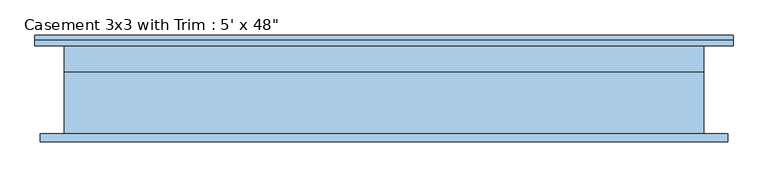
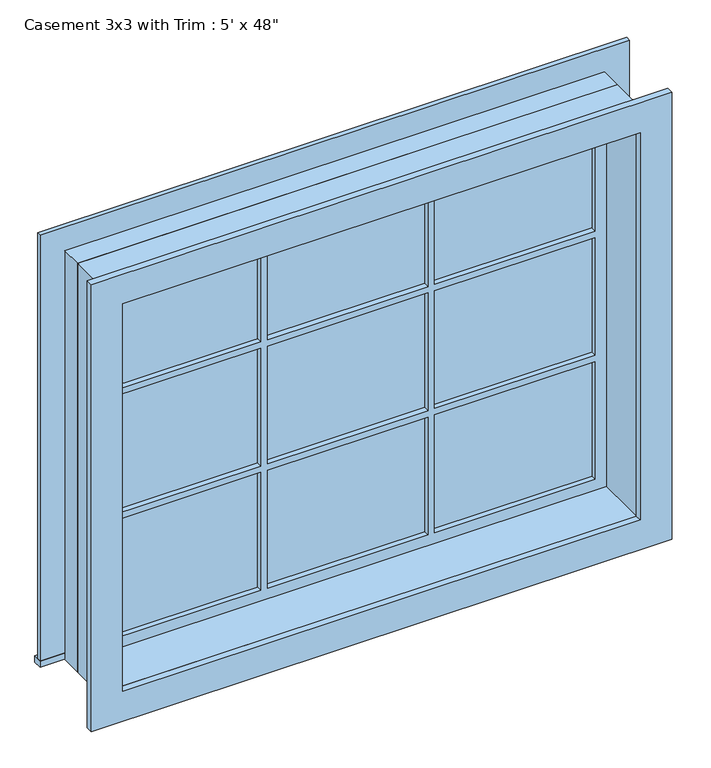
"""IFC4 building model written with IfcOpenShell, lengths in millimetres: window geometry."""

import ifcopenshell
import ifcopenshell.guid

model = None  # the IFC model being written
_history = None  # IfcOwnerHistory: only IFC2X3 demands one
_inside = {}  # id of a spatial element -> (the spatial element, [elements in it])
_under = {}  # id of a project, library or spatial element -> (it, [spatial elements below it])
_declared = {}  # id of a project -> (the project, [libraries it declares])
_typed = {}  # id of a type object -> (the type object, [elements of that type])
_made_of = {}  # id of a material, layer set ... -> (it, [elements and type objects made of it])


def new_model(schema):
    """Start an empty IFC model of exactly this schema.

    Asked for "IFC4X3", IfcOpenShell would pick the latest addendum, in which some entities
    have other attributes; the version numbers below select the first issue.
    IFC2X3 requires an IfcOwnerHistory on every rooted entity: one is made here for all.
    """
    global model, _history
    if schema == "IFC4X3":
        model = ifcopenshell.file(schema_version=(4, 3, 0, 0))
    else:
        model = ifcopenshell.file(schema=schema)
    _inside.clear()
    _under.clear()
    _declared.clear()
    _typed.clear()
    _made_of.clear()
    _history = None
    if model.schema == "IFC2X3":
        org = make("IfcOrganization", Name="unknown")
        user = make(
            "IfcPersonAndOrganization",
            ThePerson=make("IfcPerson", FamilyName="unknown"),
            TheOrganization=org,
        )
        app = make(
            "IfcApplication",
            ApplicationDeveloper=org,
            Version="unknown",
            ApplicationFullName="unknown",
            ApplicationIdentifier="unknown",
        )
        _history = make(
            "IfcOwnerHistory",
            OwningUser=user,
            OwningApplication=app,
            ChangeAction="ADDED",
            CreationDate=0,
        )
    return model


def make(cls, **values):
    """One entity of the class cls with the attributes given. An attribute that is None is left unset."""
    return model.create_entity(
        cls, **{name: value for name, value in values.items() if value is not None}
    )


def rooted(cls, **values):
    """An entity with a GlobalId (a new one), such as an element, a storey or a relation."""
    return make(cls, GlobalId=ifcopenshell.guid.new(), OwnerHistory=_history, **values)


def si_unit(unit_type, name, prefix=None):
    """IfcSIUnit, for example si_unit("LENGTHUNIT", "METRE", prefix="MILLI")."""
    return make("IfcSIUnit", UnitType=unit_type, Prefix=prefix, Name=name)


def assignment(units):
    """IfcUnitAssignment: the units of a project."""
    return None if units is None else make("IfcUnitAssignment", Units=units)


def point(xyz):
    """IfcCartesianPoint."""
    return None if xyz is None else make("IfcCartesianPoint", Coordinates=xyz)


def direction(xyz):
    """IfcDirection."""
    return None if xyz is None else make("IfcDirection", DirectionRatios=xyz)


def frame(location, z_axis=None, x_axis=None):
    """IfcAxis2Placement3D, a coordinate frame: its origin and axes. An axis left out is left unset."""
    return make(
        "IfcAxis2Placement3D",
        Location=point(location),
        Axis=direction(z_axis),
        RefDirection=direction(x_axis),
    )


def origin():
    """The frame at (0, 0, 0) with its axes left unset."""
    return frame((0.0, 0.0, 0.0))


def place(relative_to, where):
    """IfcLocalPlacement: puts the frame where relative to a parent placement (None: the world)."""
    return make(
        "IfcLocalPlacement", PlacementRelTo=relative_to, RelativePlacement=where
    )


def context(
    kind, dimensions, precision=None, world=None, true_north=None, identifier=None
):
    """IfcGeometricRepresentationContext, for example the 3D "Model" context."""
    return make(
        "IfcGeometricRepresentationContext",
        ContextIdentifier=identifier,
        ContextType=kind,
        CoordinateSpaceDimension=dimensions,
        Precision=precision,
        WorldCoordinateSystem=world,
        TrueNorth=true_north,
    )


def project(units=None, contexts=None):
    """IfcProject with its units and contexts."""
    return rooted(
        "IfcProject",
        Name="project",
        RepresentationContexts=contexts,
        UnitsInContext=assignment(units),
    )


def spatial(cls, under=None, at=None, **own):
    """A site, building, storey or space (cls), placed at a placement, below another one or the project."""
    s = rooted(cls, ObjectPlacement=at, **own)
    if under is not None:
        _under.setdefault(under.id(), (under, []))[1].append(s)
    return s


def polyline(points):
    """IfcPolyline through the points."""
    return make("IfcPolyline", Points=[point(p) for p in points])


def outline(outer, holes=None, kind="AREA"):
    """IfcArbitraryClosedProfileDef: a profile drawn as a closed curve; with holes, ...WithVoids."""
    if holes is None:
        return make("IfcArbitraryClosedProfileDef", ProfileType=kind, OuterCurve=outer)
    return make(
        "IfcArbitraryProfileDefWithVoids",
        ProfileType=kind,
        OuterCurve=outer,
        InnerCurves=holes,
    )


def extrude(swept, where, along, depth):
    """IfcExtrudedAreaSolid: the profile swept, set in the frame where, extruded along a direction by depth."""
    return make(
        "IfcExtrudedAreaSolid",
        SweptArea=swept,
        Position=where,
        ExtrudedDirection=direction(along),
        Depth=depth,
    )


def shape(context_of_items, identifier, shape_type, items):
    """IfcShapeRepresentation: the items that make up one representation, for example the "Body"."""
    return make(
        "IfcShapeRepresentation",
        ContextOfItems=context_of_items,
        RepresentationIdentifier=identifier,
        RepresentationType=shape_type,
        Items=items,
    )


def source(mapping_origin, context_of_items, identifier, shape_type, items):
    """IfcRepresentationMap: a shape defined once, which mapped items show again and again."""
    return make(
        "IfcRepresentationMap",
        MappingOrigin=mapping_origin,
        MappedRepresentation=shape(context_of_items, identifier, shape_type, items),
    )


def transform(
    local_origin,
    x_axis=None,
    y_axis=None,
    z_axis=None,
    scale=None,
    scale2=None,
    scale3=None,
    uniform=True,
):
    """IfcCartesianTransformationOperator3D, or its non-uniform kind. x_axis, y_axis, z_axis: its Axis1, 2, 3."""
    if uniform:
        return make(
            "IfcCartesianTransformationOperator3D",
            Axis1=direction(x_axis),
            Axis2=direction(y_axis),
            LocalOrigin=point(local_origin),
            Scale=scale,
            Axis3=direction(z_axis),
        )
    return make(
        "IfcCartesianTransformationOperator3DnonUniform",
        Axis1=direction(x_axis),
        Axis2=direction(y_axis),
        LocalOrigin=point(local_origin),
        Scale=scale,
        Axis3=direction(z_axis),
        Scale2=scale2,
        Scale3=scale3,
    )


def mapped(mapping_source, mapping_target):
    """IfcMappedItem: shows the shape of a source again, moved by a transform."""
    return make(
        "IfcMappedItem", MappingSource=mapping_source, MappingTarget=mapping_target
    )


def made_of(thing, what):
    """Note that an element or type object is made of a material, layer set ...; save() writes the relation."""
    if what is not None:
        _made_of.setdefault(what.id(), (what, []))[1].append(thing)
    return thing


def element(
    cls,
    number,
    at=None,
    inside=None,
    cuts=None,
    type_object=None,
    material=None,
    context=None,
    identifier="Body",
    shape_type=None,
    held_by="IfcProductDefinitionShape",
    body=None,
    shapes=None,
    **own,
):
    """One element of the class cls, such as IfcWall. Its Tag is "e" and its number.

    at: its placement. inside: the storey or other place that contains it. cuts: it is an
    opening in that element (IfcRelVoidsElement). A single representation is given by context,
    identifier, shape_type and body (its items); several are given by shapes. held_by: the class
    of the entity that holds the representations. save() writes the other relations.
    """
    e = rooted(cls, Tag="e%d" % number, ObjectPlacement=at, **own)
    if body is not None:
        shapes = [shape(context, identifier, shape_type, body)]
    if shapes is not None:
        e.Representation = make(held_by, Representations=shapes)
    if inside is not None:
        _inside.setdefault(inside.id(), (inside, []))[1].append(e)
    if cuts is not None:
        rooted(
            "IfcRelVoidsElement", RelatingBuildingElement=cuts, RelatedOpeningElement=e
        )
    if type_object is not None:
        _typed.setdefault(type_object.id(), (type_object, []))[1].append(e)
    return made_of(e, material)


def aggregate(whole, parts):
    """IfcRelAggregates: a whole, such as a stair, and the parts it consists of."""
    return rooted("IfcRelAggregates", RelatingObject=whole, RelatedObjects=parts)


def save(model, path):
    """Write the relations noted so far, then the file.

    IfcRelAggregates (storeys below a building ...), IfcRelContainedInSpatialStructure (elements
    in a storey), IfcRelDefinesByType, IfcRelAssociatesMaterial and IfcRelDeclares: one each for
    every whole, place, type object, material and project.
    """
    for whole, parts in _under.values():
        aggregate(whole, parts)
    for where, things in _inside.values():
        rooted(
            "IfcRelContainedInSpatialStructure",
            RelatedElements=things,
            RelatingStructure=where,
        )
    for kind, things in _typed.values():
        rooted("IfcRelDefinesByType", RelatedObjects=things, RelatingType=kind)
    for what, things in _made_of.values():
        rooted("IfcRelAssociatesMaterial", RelatedObjects=things, RelatingMaterial=what)
    for by, libraries in _declared.values():
        rooted("IfcRelDeclares", RelatingContext=by, RelatedDefinitions=libraries)
    model.write(path)


def window_2aff8733(model_context):
    return source(origin(), model_context, "Body", "SweptSolid", [
        extrude(outline(polyline([(-831.85, 130.175), (831.85, 130.175), (831.85, 104.775), (-831.85, 104.775), (-831.85, 130.175)])), frame((0.0, 0.0, 609.6), z_axis=(0.0, 0.0, 1.0), x_axis=(1.0, 0.0, 0.0)), (0.0, 0.0, 1.0), 19.05),
        extrude(outline(polyline([(1809.75, -742.95), (1809.75, 742.95), (628.65, 742.95), (628.65, 831.85), (1898.65, 831.85), (1898.65, -831.85), (628.65, -831.85), (628.65, -742.95), (1809.75, -742.95)])), frame((0.0, 104.775, 0.0), z_axis=(0.0, 1.0, 0.0), x_axis=(0.0, 0.0, 1.0)), (0.0, 0.0, 1.0), 12.7),
        extrude(outline(polyline([(245.5333333, 69.85), (698.5, 69.85), (698.5, 57.15), (245.5333333, 57.15), (245.5333333, 69.85)])), frame((0.0, 0.0, 1413.9333333), z_axis=(0.0, 0.0, 1.0), x_axis=(1.0, 0.0, 0.0)), (0.0, 0.0, 1.0), 351.3666667),
        extrude(outline(polyline([(-226.4833333, 69.85), (226.4833333, 69.85), (226.4833333, 57.15), (-226.4833333, 57.15), (-226.4833333, 69.85)])), frame((0.0, 0.0, 1413.9333333), z_axis=(0.0, 0.0, 1.0), x_axis=(1.0, 0.0, 0.0)), (0.0, 0.0, 1.0), 351.3666667),
        extrude(outline(polyline([(-698.5, 69.85), (-245.5333333, 69.85), (-245.5333333, 57.15), (-698.5, 57.15), (-698.5, 69.85)])), frame((0.0, 0.0, 1413.9333333), z_axis=(0.0, 0.0, 1.0), x_axis=(1.0, 0.0, 0.0)), (0.0, 0.0, 1.0), 351.3666667),
        extrude(outline(polyline([(-698.5, 69.85), (-245.5333333, 69.85), (-245.5333333, 57.15), (-698.5, 57.15), (-698.5, 69.85)])), frame((0.0, 0.0, 1043.5166667), z_axis=(0.0, 0.0, 1.0), x_axis=(1.0, 0.0, 0.0)), (0.0, 0.0, 1.0), 351.3666667),
        extrude(outline(polyline([(-226.4833333, 69.85), (226.4833333, 69.85), (226.4833333, 57.15), (-226.4833333, 57.15), (-226.4833333, 69.85)])), frame((0.0, 0.0, 1043.5166667), z_axis=(0.0, 0.0, 1.0), x_axis=(1.0, 0.0, 0.0)), (0.0, 0.0, 1.0), 351.3666667),
        extrude(outline(polyline([(245.5333333, 69.85), (698.5, 69.85), (698.5, 57.15), (245.5333333, 57.15), (245.5333333, 69.85)])), frame((0.0, 0.0, 1043.5166667), z_axis=(0.0, 0.0, 1.0), x_axis=(1.0, 0.0, 0.0)), (0.0, 0.0, 1.0), 351.3666667),
        extrude(outline(polyline([(245.5333333, 69.85), (698.5, 69.85), (698.5, 57.15), (245.5333333, 57.15), (245.5333333, 69.85)])), frame((0.0, 0.0, 673.1), z_axis=(0.0, 0.0, 1.0), x_axis=(1.0, 0.0, 0.0)), (0.0, 0.0, 1.0), 351.3666667),
        extrude(outline(polyline([(-226.4833333, 69.85), (226.4833333, 69.85), (226.4833333, 57.15), (-226.4833333, 57.15), (-226.4833333, 69.85)])), frame((0.0, 0.0, 673.1), z_axis=(0.0, 0.0, 1.0), x_axis=(1.0, 0.0, 0.0)), (0.0, 0.0, 1.0), 351.3666667),
        extrude(outline(polyline([(-698.5, 69.85), (-245.5333333, 69.85), (-245.5333333, 57.15), (-698.5, 57.15), (-698.5, 69.85)])), frame((0.0, 0.0, 673.1), z_axis=(0.0, 0.0, 1.0), x_axis=(1.0, 0.0, 0.0)), (0.0, 0.0, 1.0), 351.3666667),
        extrude(outline(polyline([(1885.95, 819.15), (1885.95, -819.15), (552.45, -819.15), (552.45, 819.15), (1885.95, 819.15)]), holes=[polyline([(1797.05, 730.25), (641.35, 730.25), (641.35, -730.25), (1797.05, -730.25), (1797.05, 730.25)])]), frame((0.0, -123.825, 0.0), z_axis=(0.0, 1.0, 0.0), x_axis=(0.0, 0.0, 1.0)), (0.0, 0.0, 1.0), 19.05),
        extrude(outline(polyline([(1809.75, -742.95), (628.65, -742.95), (628.65, 742.95), (1809.75, 742.95), (1809.75, -742.95)]), holes=[polyline([(1765.3, -245.5333333), (1413.9333333, -245.5333333), (1413.9333333, -698.5), (1765.3, -698.5), (1765.3, -245.5333333)]), polyline([(1394.8833333, -245.5333333), (1043.5166667, -245.5333333), (1043.5166667, -698.5), (1394.8833333, -698.5), (1394.8833333, -245.5333333)]), polyline([(1024.4666667, -245.5333333), (673.1, -245.5333333), (673.1, -698.5), (1024.4666667, -698.5), (1024.4666667, -245.5333333)]), polyline([(1765.3, 226.4833333), (1413.9333333, 226.4833333), (1413.9333333, -226.4833333), (1765.3, -226.4833333), (1765.3, 226.4833333)]), polyline([(1394.8833333, 226.4833333), (1043.5166667, 226.4833333), (1043.5166667, -226.4833333), (1394.8833333, -226.4833333), (1394.8833333, 226.4833333)]), polyline([(1024.4666667, 226.4833333), (673.1, 226.4833333), (673.1, -226.4833333), (1024.4666667, -226.4833333), (1024.4666667, 226.4833333)]), polyline([(1765.3, 698.5), (1413.9333333, 698.5), (1413.9333333, 245.5333333), (1765.3, 245.5333333), (1765.3, 698.5)]), polyline([(1394.8833333, 698.5), (1043.5166667, 698.5), (1043.5166667, 245.5333333), (1394.8833333, 245.5333333), (1394.8833333, 698.5)]), polyline([(1024.4666667, 698.5), (673.1, 698.5), (673.1, 245.5333333), (1024.4666667, 245.5333333), (1024.4666667, 698.5)])]), frame((0.0, 41.275, 0.0), z_axis=(0.0, 1.0, 0.0), x_axis=(0.0, 0.0, 1.0)), (0.0, 0.0, 1.0), 44.45),
        extrude(outline(polyline([(1828.8, -762.0), (609.6, -762.0), (609.6, 762.0), (1828.8, 762.0), (1828.8, -762.0)]), holes=[polyline([(1797.05, -730.25), (1797.05, 730.25), (641.35, 730.25), (641.35, -730.25), (1797.05, -730.25)])]), frame((0.0, -104.775, 0.0), z_axis=(0.0, 1.0, 0.0), x_axis=(0.0, 0.0, 1.0)), (0.0, 0.0, 1.0), 146.05),
        extrude(outline(polyline([(1828.8, 762.0), (1828.8, -762.0), (609.6, -762.0), (609.6, 762.0), (1828.8, 762.0)]), holes=[polyline([(1809.75, 742.95), (628.65, 742.95), (628.65, -742.95), (1809.75, -742.95), (1809.75, 742.95)])]), frame((0.0, 41.275, 0.0), z_axis=(0.0, 1.0, 0.0), x_axis=(0.0, 0.0, 1.0)), (0.0, 0.0, 1.0), 63.5),
    ])


if __name__ == "__main__":
    model = new_model("IFC4")
    model_context = context("Model", 3, world=origin())
    ifc_project = project(units=[si_unit("LENGTHUNIT", "METRE", prefix="MILLI")], contexts=[model_context])
    site = spatial("IfcSite", under=ifc_project)
    building = spatial("IfcBuilding", under=site)
    placement = place(None, origin())
    window_shape = window_2aff8733(model_context)
    element("IfcWindow", 1, ObjectType="Casement 3x3 with Trim : 5' x 48\"", at=placement, inside=building, context=model_context, shape_type="MappedRepresentation", body=[
        mapped(window_shape, transform((0.0, 0.0, 0.0), x_axis=(1.0, 0.0, 0.0), y_axis=(0.0, 1.0, 0.0), z_axis=(0.0, 0.0, 1.0))),
    ])
    save(model, "model.ifc")
